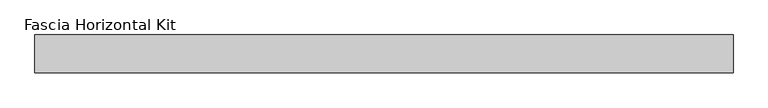
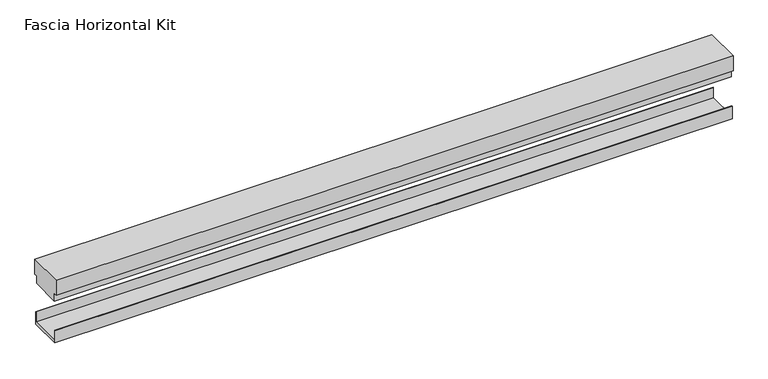
"""IFC4 building model written with IfcOpenShell, lengths in millimetres: proxy geometry, Fascia Horizontal Kit."""

from ifc_helpers import new_model, si_unit, frame, origin, place, context, project, spatial, polyline, outline, extrude, source, transform, mapped, element, save


def fascia_horizontal_kit_1da70a76(model_context):
    return source(origin(), model_context, "Body", "SweptSolid", [
        extrude(outline(polyline([(94.0992263, 4.58724), (94.0992263, 23.2156), (95.2574663, 23.2156), (95.2574663, 0.0), (37.2438663, 0.0), (37.2438663, 23.2156), (38.4021063, 23.2156), (38.4021063, 4.58724), (94.0992263, 4.58724)])), frame((-696.6395117, 0.0, 0.0), z_axis=(1.0, 0.0, 0.0), x_axis=(0.0, 1.0, 0.0)), (0.0, 0.0, 1.0), 1192.5943013),
        extrude(outline(polyline([(98.4324663, 119.029), (98.4324663, 91.029), (93.5466663, 91.029), (93.5466663, 77.0336001), (38.9546663, 77.0336001), (38.9546663, 91.029), (34.0688663, 91.029), (34.0688663, 119.029), (98.4324663, 119.029)])), frame((-696.6395117, 0.0, 0.0), z_axis=(1.0, 0.0, 0.0), x_axis=(0.0, 1.0, 0.0)), (0.0, 0.0, 1.0), 1192.5943013),
    ])


if __name__ == "__main__":
    model = new_model("IFC4")
    model_context = context("Model", 3, world=origin())
    ifc_project = project(units=[si_unit("LENGTHUNIT", "METRE", prefix="MILLI")], contexts=[model_context])
    site = spatial("IfcSite", under=ifc_project)
    building = spatial("IfcBuilding", under=site)
    placement = place(None, origin())
    fascia_horizontal_kit_shape = fascia_horizontal_kit_1da70a76(model_context)
    element("IfcBuildingElementProxy", 1, Name="Fascia Horizontal Kit", ObjectType="Fascia Horizontal Kit", at=placement, inside=building, context=model_context, shape_type="MappedRepresentation", body=[
        mapped(fascia_horizontal_kit_shape, transform((0.0, 0.0, 0.0), x_axis=(1.0, 0.0, 0.0), y_axis=(0.0, 1.0, 0.0), z_axis=(0.0, 0.0, 1.0))),
    ])
    save(model, "model.ifc")
